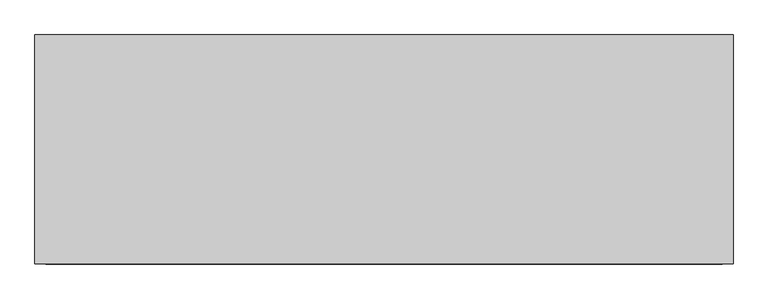
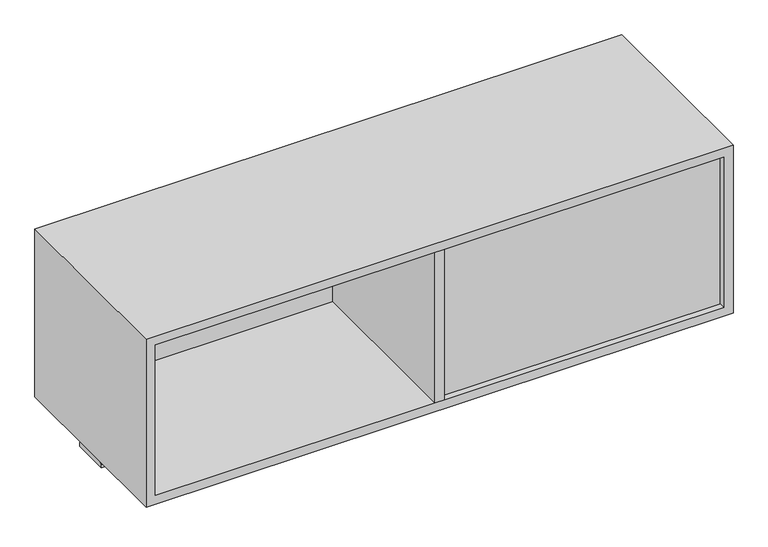
"""IFC4 building model written with IfcOpenShell, lengths in millimetres: furniture geometry."""

from ifc_helpers import new_model, si_unit, point, frame, frame_2d, origin, place, context, project, spatial, polyline, circle_curve, trimmed, segment, composite_curve, outline, extrude, source, transform, mapped, element, save


def furniture_caa37e2e(model_context):
    return source(origin(), model_context, "Body", "SweptSolid", [
        extrude(outline(polyline([(162.052, -241.2273724), (142.748, -241.2273724), (142.748, 158.8226276), (162.052, 158.8226276), (162.052, -241.2273724)])), frame((0.0, 0.0, 1179.957), z_axis=(0.0, 0.0, 1.0), x_axis=(1.0, 0.0, 0.0)), (0.0, 0.0, 1.0), 330.5048),
        extrude(outline(composite_curve([segment(polyline([(-80.3183724, 1150.366), (-80.3183724, 1156.716)]), True, "CONTINUOUS"), segment(trimmed(circle_curve(frame_2d((-77.1433724, 1156.716)), 3.175), [point((-80.3183724, 1156.716))], [point((-77.1433724, 1159.891))], False, "CARTESIAN"), True, "CONTINUOUS"), segment(polyline([(-77.1433724, 1159.891), (-5.2613724, 1159.891)]), True, "CONTINUOUS"), segment(trimmed(circle_curve(frame_2d((-5.2613724, 1156.716)), 3.175), [point((-5.2613724, 1159.891))], [point((-2.0863724, 1156.716))], False, "CARTESIAN"), True, "CONTINUOUS"), segment(polyline([(-2.0863724, 1156.716), (-2.0863724, 1150.366), (-80.3183724, 1150.366)]), True, "CONTINUOUS")], self_intersect=False)), frame((-457.2, 0.0, 0.0), z_axis=(1.0, 0.0, 0.0), x_axis=(0.0, 1.0, 0.0)), (0.0, 0.0, 1.0), 1219.2),
        extrude(outline(polyline([(142.748, 145.5282676), (142.748, 126.2242676), (-437.896, 126.2242676), (-437.896, 145.5282676), (142.748, 145.5282676)])), frame((0.0, 0.0, 1179.957), z_axis=(0.0, 0.0, 1.0), x_axis=(1.0, 0.0, 0.0)), (0.0, 0.0, 1.0), 330.5048),
        extrude(outline(polyline([(742.696, -208.5832924), (742.696, -227.8872924), (162.052, -227.8872924), (162.052, -208.5832924), (742.696, -208.5832924)])), frame((0.0, 0.0, 1179.957), z_axis=(0.0, 0.0, 1.0), x_axis=(1.0, 0.0, 0.0)), (0.0, 0.0, 1.0), 330.5048),
        extrude(outline(polyline([(1529.7658, -457.2), (1160.653, -457.2), (1160.653, 762.0), (1529.7658, 762.0), (1529.7658, -457.2)]), holes=[polyline([(1510.4618, -437.896), (1510.4618, 742.696), (1179.957, 742.696), (1179.957, -437.896), (1510.4618, -437.896)])]), frame((0.0, -241.2273724, 0.0), z_axis=(0.0, 1.0, 0.0), x_axis=(0.0, 0.0, 1.0)), (0.0, 0.0, 1.0), 400.05),
        extrude(outline(polyline([(162.052, -241.2273724), (142.748, -241.2273724), (142.748, 158.8226276), (162.052, 158.8226276), (162.052, -241.2273724)])), frame((0.0, 0.0, 1179.957), z_axis=(0.0, 0.0, 1.0), x_axis=(1.0, 0.0, 0.0)), (0.0, 0.0, 1.0), 330.5048),
    ])


if __name__ == "__main__":
    model = new_model("IFC4")
    model_context = context("Model", 3, world=origin())
    ifc_project = project(units=[si_unit("LENGTHUNIT", "METRE", prefix="MILLI")], contexts=[model_context])
    site = spatial("IfcSite", under=ifc_project)
    building = spatial("IfcBuilding", under=site)
    placement = place(None, origin())
    furniture_shape = furniture_caa37e2e(model_context)
    element("IfcFurniture", 1, at=placement, inside=building, context=model_context, shape_type="MappedRepresentation", body=[
        mapped(furniture_shape, transform((0.0, 0.0, 0.0), x_axis=(1.0, 0.0, 0.0), y_axis=(0.0, 1.0, 0.0), z_axis=(0.0, 0.0, 1.0))),
    ])
    save(model, "model.ifc")
